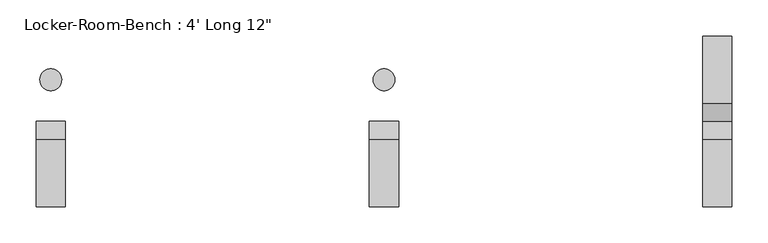
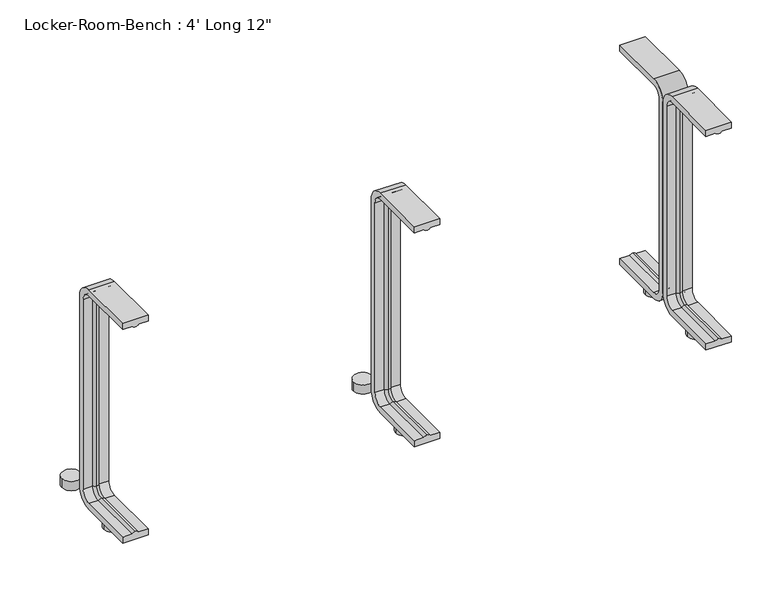
"""IFC4 building model written with IfcOpenShell, lengths in millimetres: proxy geometry."""

from ifc_helpers import new_model, si_unit, point, frame, frame_2d, origin, origin_with_axes, place, context, project, spatial, polyline, circle_curve, ellipse_curve, trimmed, segment, composite_curve, outline, extrude, source, transform, mapped, element, save
from ifc_brep_helpers import plane_surface, cylinder_surface, revolved_surface, advanced_brep


def proxy_73abb4a3(model_context):
    return source(origin(), model_context, "Body", "SolidModel", [
        extrude(outline(composite_curve([segment(trimmed(circle_curve(frame_2d((459.6, 57.5)), 15.0), [point((444.6, 57.5))], [point((474.6, 57.5))], False, "CARTESIAN"), True, "CONTINUOUS"), segment(trimmed(circle_curve(frame_2d((459.6, 57.5)), 15.0), [point((474.6, 57.5))], [point((444.6, 57.5))], False, "CARTESIAN"), True, "CONTINUOUS")], self_intersect=False)), origin_with_axes(), (0.0, 0.0, 1.0), 15.0),
        extrude(outline(composite_curve([segment(trimmed(circle_curve(frame_2d((459.6, -57.5)), 15.0), [point((444.6, -57.5))], [point((474.6, -57.5))], False, "CARTESIAN"), True, "CONTINUOUS"), segment(trimmed(circle_curve(frame_2d((459.6, -57.5)), 15.0), [point((474.6, -57.5))], [point((444.6, -57.5))], False, "CARTESIAN"), True, "CONTINUOUS")], self_intersect=False)), origin_with_axes(), (0.0, 0.0, 1.0), 15.0),
        extrude(outline(composite_curve([segment(trimmed(circle_curve(frame_2d((0.0, 57.5)), 15.0), [point((-15.0, 57.5))], [point((15.0, 57.5))], False, "CARTESIAN"), True, "CONTINUOUS"), segment(trimmed(circle_curve(frame_2d((0.0, 57.5)), 15.0), [point((15.0, 57.5))], [point((-15.0, 57.5))], False, "CARTESIAN"), True, "CONTINUOUS")], self_intersect=False)), origin_with_axes(), (0.0, 0.0, 1.0), 15.0),
        extrude(outline(composite_curve([segment(trimmed(circle_curve(frame_2d((0.0, -57.5)), 15.0), [point((-15.0, -57.5))], [point((15.0, -57.5))], False, "CARTESIAN"), True, "CONTINUOUS"), segment(trimmed(circle_curve(frame_2d((0.0, -57.5)), 15.0), [point((15.0, -57.5))], [point((-15.0, -57.5))], False, "CARTESIAN"), True, "CONTINUOUS")], self_intersect=False)), origin_with_axes(), (0.0, 0.0, 1.0), 15.0),
        extrude(outline(composite_curve([segment(trimmed(circle_curve(frame_2d((-459.6, 57.5)), 15.0), [point((-474.6, 57.5))], [point((-444.6, 57.5))], False, "CARTESIAN"), True, "CONTINUOUS"), segment(trimmed(circle_curve(frame_2d((-459.6, 57.5)), 15.0), [point((-444.6, 57.5))], [point((-474.6, 57.5))], False, "CARTESIAN"), True, "CONTINUOUS")], self_intersect=False)), origin_with_axes(), (0.0, 0.0, 1.0), 15.0),
        extrude(outline(composite_curve([segment(trimmed(circle_curve(frame_2d((-459.6, -57.5)), 15.0), [point((-474.6, -57.5))], [point((-444.6, -57.5))], False, "CARTESIAN"), True, "CONTINUOUS"), segment(trimmed(circle_curve(frame_2d((-459.6, -57.5)), 15.0), [point((-444.6, -57.5))], [point((-474.6, -57.5))], False, "CARTESIAN"), True, "CONTINUOUS")], self_intersect=False)), origin_with_axes(), (0.0, 0.0, 1.0), 15.0),
        advanced_brep(
        [(479.6, -117.4, 381.4), (439.6, -117.4, 381.4), (439.6, -117.4, 371.4), (454.6, -117.4, 371.4), (459.6, -117.4, 369.0684617), (464.6, -117.4, 371.4), (479.6, -117.4, 371.4), (479.6, -25.0, 371.4), (479.6, -10.0, 356.4), (479.6, -10.0, 40.0), (479.6, -25.0, 25.0), (479.6, -117.4, 25.0), (479.6, -117.4, 15.0), (479.6, -25.0, 15.0), (479.6, 0.0, 40.0), (479.6, 0.0, 356.4), (479.6, -25.0, 381.4), (464.6, -25.0, 371.4), (459.6, -25.0, 369.0684617), (454.6, -25.0, 371.4), (439.6, -25.0, 371.4), (439.6, -25.0, 381.4), (439.6, 0.0, 356.4), (439.6, 0.0, 40.0), (439.6, -25.0, 15.0), (439.6, -117.4, 15.0), (439.6, -117.4, 25.0), (439.6, -25.0, 25.0), (439.6, -10.0, 40.0), (439.6, -10.0, 356.4), (464.6, -10.0, 356.4), (459.6, -12.3315383, 356.4), (454.6, -10.0, 356.4), (464.6, -10.0, 40.0), (459.6, -12.3315383, 40.0), (454.6, -10.0, 40.0), (464.6, -25.0, 25.0), (459.6, -25.0, 27.3315383), (454.6, -25.0, 25.0), (464.6, -117.4, 25.0), (459.6, -117.4, 27.3315383), (454.6, -117.4, 25.0)],
        [
            (0, 1),
            (1, 2),
            (2, 3),
            (3, 4, circle_curve(frame((459.3003591, -117.4, 374.9529162), z_axis=(0.0, -1.0, 0.0), x_axis=(0.0, 0.0, -1.0)), 5.8920785)),
            (4, 5, circle_curve(frame((459.8996409, -117.4, 374.9529162), z_axis=(0.0, -1.0, 0.0), x_axis=(0.0, 0.0, -1.0)), 5.8920785)),
            (5, 6),
            (6, 0),
            (6, 7),
            (7, 8, circle_curve(frame((479.6, -25.0, 356.4), z_axis=(-1.0, 0.0, 0.0), x_axis=(0.0, 0.0, 1.0)), 15.0)),
            (8, 9),
            (9, 10, circle_curve(frame((479.6, -25.0, 40.0), z_axis=(-1.0, 0.0, 0.0), x_axis=(0.0, 1.0, 0.0)), 15.0)),
            (10, 11),
            (11, 12),
            (12, 13),
            (13, 14, circle_curve(frame((479.6, -25.0, 40.0), z_axis=(1.0, 0.0, 0.0), x_axis=(0.0, 1.0, 0.0)), 25.0)),
            (14, 15),
            (15, 16, circle_curve(frame((479.6, -25.0, 356.4), z_axis=(1.0, 0.0, 0.0), x_axis=(0.0, 0.0, 1.0)), 25.0)),
            (16, 0),
            (5, 17),
            (17, 7),
            (4, 18),
            (18, 17, circle_curve(frame((459.8996409, -25.0, 374.9529162), z_axis=(0.0, -1.0, 0.0), x_axis=(0.0, 0.0, -1.0)), 5.8920785)),
            (3, 19),
            (19, 18, circle_curve(frame((459.3003591, -25.0, 374.9529162), z_axis=(0.0, -1.0, 0.0), x_axis=(0.0, 0.0, -1.0)), 5.8920785)),
            (2, 20),
            (20, 19),
            (1, 21),
            (21, 22, circle_curve(frame((439.6, -25.0, 356.4), z_axis=(-1.0, 0.0, 0.0), x_axis=(0.0, 0.0, 1.0)), 25.0)),
            (22, 23),
            (23, 24, circle_curve(frame((439.6, -25.0, 40.0), z_axis=(-1.0, 0.0, 0.0), x_axis=(0.0, 1.0, 0.0)), 25.0)),
            (24, 25),
            (25, 26),
            (26, 27),
            (27, 28, circle_curve(frame((439.6, -25.0, 40.0), z_axis=(1.0, 0.0, 0.0), x_axis=(0.0, 1.0, 0.0)), 15.0)),
            (28, 29),
            (29, 20, circle_curve(frame((439.6, -25.0, 356.4), z_axis=(1.0, 0.0, 0.0), x_axis=(0.0, 0.0, 1.0)), 15.0)),
            (16, 21),
            (30, 8),
            (17, 30, circle_curve(frame((464.6, -25.0, 356.4), z_axis=(-1.0, 0.0, 0.0), x_axis=(0.0, 0.0, 1.0)), 15.0)),
            (31, 30, circle_curve(frame((459.8996409, -6.4470838, 356.4), z_axis=(0.0, 0.0, 1.0), x_axis=(0.0, -1.0, 0.0)), 5.8920785)),
            (18, 31, circle_curve(frame((459.6, -25.0, 356.4), z_axis=(-1.0, 0.0, 0.0), x_axis=(0.0, 0.0, 1.0)), 12.6684617)),
            (32, 31, circle_curve(frame((459.3003591, -6.4470838, 356.4), z_axis=(0.0, 0.0, 1.0), x_axis=(0.0, -1.0, 0.0)), 5.8920785)),
            (19, 32, circle_curve(frame((454.6, -25.0, 356.4), z_axis=(-1.0, 0.0, 0.0), x_axis=(0.0, 0.0, 1.0)), 15.0)),
            (29, 32),
            (15, 22),
            (30, 33),
            (33, 9),
            (31, 34),
            (34, 33, circle_curve(frame((459.8996409, -6.4470838, 40.0), z_axis=(0.0, 0.0, 1.0), x_axis=(0.0, -1.0, 0.0)), 5.8920785)),
            (32, 35),
            (35, 34, circle_curve(frame((459.3003591, -6.4470838, 40.0), z_axis=(0.0, 0.0, 1.0), x_axis=(0.0, -1.0, 0.0)), 5.8920785)),
            (28, 35),
            (14, 23),
            (36, 10),
            (33, 36, circle_curve(frame((464.6, -25.0, 40.0), z_axis=(-1.0, 0.0, 0.0), x_axis=(0.0, 1.0, 0.0)), 15.0)),
            (37, 36, circle_curve(frame((459.8996409, -25.0, 21.4470838), z_axis=(0.0, 1.0, 0.0), x_axis=(0.0, 0.0, 1.0)), 5.8920785)),
            (34, 37, circle_curve(frame((459.6, -25.0, 40.0), z_axis=(-1.0, 0.0, 0.0), x_axis=(0.0, 1.0, 0.0)), 12.6684617)),
            (38, 37, circle_curve(frame((459.3003591, -25.0, 21.4470838), z_axis=(0.0, 1.0, 0.0), x_axis=(0.0, 0.0, 1.0)), 5.8920785)),
            (35, 38, circle_curve(frame((454.6, -25.0, 40.0), z_axis=(-1.0, 0.0, 0.0), x_axis=(0.0, 1.0, 0.0)), 15.0)),
            (27, 38),
            (13, 24),
            (11, 39),
            (39, 40, circle_curve(frame((459.8996409, -117.4, 21.4470838), z_axis=(0.0, -1.0, 0.0), x_axis=(0.0, 0.0, 1.0)), 5.8920785)),
            (40, 41, circle_curve(frame((459.3003591, -117.4, 21.4470838), z_axis=(0.0, -1.0, 0.0), x_axis=(0.0, 0.0, 1.0)), 5.8920785)),
            (41, 26),
            (25, 12),
            (36, 39),
            (37, 40),
            (38, 41),
        ],
        [
            plane_surface(frame((459.6, -117.4, 381.4), z_axis=(0.0, -1.0, 0.0), x_axis=(1.0, 0.0, 0.0))),
            plane_surface(frame((479.6, -117.4, 381.4), z_axis=(1.0, 0.0, 0.0), x_axis=(0.0, 1.0, 0.0))),
            plane_surface(frame((479.6, -117.4, 371.4), z_axis=(0.0, 0.0, -1.0), x_axis=(0.0, 1.0, 0.0))),
            cylinder_surface(frame((459.8996409, -117.4, 374.9529162), z_axis=(0.0, -1.0, 0.0), x_axis=(0.0, 0.0, -1.0)), 5.8920785),
            cylinder_surface(frame((459.3003591, -117.4, 374.9529162), z_axis=(0.0, -1.0, 0.0), x_axis=(0.0, 0.0, -1.0)), 5.8920785),
            plane_surface(frame((454.6, -117.4, 371.4), z_axis=(0.0, 0.0, -1.0), x_axis=(0.0, 1.0, 0.0))),
            plane_surface(frame((439.6, -117.4, 371.4), z_axis=(-1.0, 0.0, 0.0), x_axis=(0.0, 1.0, 0.0))),
            plane_surface(frame((439.6, -117.4, 381.4), z_axis=(0.0, 0.0, 1.0), x_axis=(0.0, 1.0, 0.0))),
            revolved_surface(polyline([(479.6, -25.0, 371.4), (464.6, -25.0, 371.4)]), (459.6, -25.0, 356.4), (1.0, 0.0, 0.0)),
            revolved_surface(trimmed(ellipse_curve(frame((459.8996409, -25.0, 374.9529162), z_axis=(0.0, 1.0, 0.0), x_axis=(0.0, 0.0, -1.0)), 5.8920785, 5.8920785), [point((464.6, -25.0, 371.4))], [point((459.6, -25.0, 369.0684617))], True, "CARTESIAN"), (459.6, -25.0, 356.4), (1.0, 0.0, 0.0)),
            revolved_surface(trimmed(ellipse_curve(frame((459.3003591, -25.0, 374.9529162), z_axis=(0.0, 1.0, 0.0), x_axis=(0.0, 0.0, -1.0)), 5.8920785, 5.8920785), [point((459.6, -25.0, 369.0684617))], [point((454.6, -25.0, 371.4))], True, "CARTESIAN"), (459.6, -25.0, 356.4), (1.0, 0.0, 0.0)),
            revolved_surface(polyline([(454.6, -25.0, 371.4), (439.6, -25.0, 371.4)]), (459.6, -25.0, 356.4), (1.0, 0.0, 0.0)),
            cylinder_surface(frame((459.6, -25.0, 356.4), z_axis=(1.0, 0.0, 0.0), x_axis=(0.0, 0.0, 1.0)), 25.0),
            plane_surface(frame((479.6, -10.0, 356.4), z_axis=(0.0, -1.0, 0.0), x_axis=(0.0, 0.0, -1.0))),
            cylinder_surface(frame((459.8996409, -6.4470838, 356.4), z_axis=(0.0, 0.0, 1.0), x_axis=(0.0, -1.0, 0.0)), 5.8920785),
            cylinder_surface(frame((459.3003591, -6.4470838, 356.4), z_axis=(0.0, 0.0, 1.0), x_axis=(0.0, -1.0, 0.0)), 5.8920785),
            plane_surface(frame((454.6, -10.0, 356.4), z_axis=(0.0, -1.0, 0.0), x_axis=(0.0, 0.0, -1.0))),
            plane_surface(frame((439.6, 0.0, 356.4), z_axis=(0.0, 1.0, 0.0), x_axis=(0.0, 0.0, -1.0))),
            revolved_surface(polyline([(479.6, -10.0, 40.0), (464.6, -10.0, 40.0)]), (459.6, -25.0, 40.0), (1.0, 0.0, 0.0)),
            revolved_surface(trimmed(ellipse_curve(frame((459.8996409, -6.4470838, 40.0), z_axis=(0.0, 0.0, -1.0), x_axis=(0.0, -1.0, 0.0)), 5.8920785, 5.8920785), [point((464.6, -10.0, 40.0))], [point((459.6, -12.3315383, 40.0))], True, "CARTESIAN"), (459.6, -25.0, 40.0), (1.0, 0.0, 0.0)),
            revolved_surface(trimmed(ellipse_curve(frame((459.3003591, -6.4470838, 40.0), z_axis=(0.0, 0.0, -1.0), x_axis=(0.0, -1.0, 0.0)), 5.8920785, 5.8920785), [point((459.6, -12.3315383, 40.0))], [point((454.6, -10.0, 40.0))], True, "CARTESIAN"), (459.6, -25.0, 40.0), (1.0, 0.0, 0.0)),
            revolved_surface(polyline([(454.6, -10.0, 40.0), (439.6, -10.0, 40.0)]), (459.6, -25.0, 40.0), (1.0, 0.0, 0.0)),
            cylinder_surface(frame((459.6, -25.0, 40.0), z_axis=(1.0, 0.0, 0.0), x_axis=(0.0, 1.0, 0.0)), 25.0),
            plane_surface(frame((459.6, -117.4, 15.0), z_axis=(0.0, -1.0, 0.0), x_axis=(1.0, 0.0, 0.0))),
            plane_surface(frame((479.6, -25.0, 25.0), z_axis=(0.0, 0.0, 1.0), x_axis=(0.0, -1.0, 0.0))),
            cylinder_surface(frame((459.8996409, -25.0, 21.4470838), z_axis=(0.0, 1.0, 0.0), x_axis=(0.0, 0.0, 1.0)), 5.8920785),
            cylinder_surface(frame((459.3003591, -25.0, 21.4470838), z_axis=(0.0, 1.0, 0.0), x_axis=(0.0, 0.0, 1.0)), 5.8920785),
            plane_surface(frame((454.6, -25.0, 25.0), z_axis=(0.0, 0.0, 1.0), x_axis=(0.0, -1.0, 0.0))),
            plane_surface(frame((439.6, -25.0, 15.0), z_axis=(0.0, 0.0, -1.0), x_axis=(0.0, -1.0, 0.0))),
        ],
        [
            (0, [[1, 2, 3, 4, 5, 6, 7]]),
            (1, [[8, 9, 10, 11, 12, 13, 14, 15, 16, 17, 18, -7]]),
            (2, [[19, 20, -8, -6]]),
            (3, [[21, 22, -19, -5]]),
            (4, [[23, 24, -21, -4]]),
            (5, [[25, 26, -23, -3]]),
            (6, [[27, 28, 29, 30, 31, 32, 33, 34, 35, 36, -25, -2]]),
            (7, [[-18, 37, -27, -1]]),
            (8, [[38, -9, -20, 39]]),
            (9, [[40, -39, -22, 41]]),
            (10, [[42, -41, -24, 43]]),
            (11, [[44, -43, -26, -36]]),
            (12, [[45, -28, -37, -17]]),
            (13, [[46, 47, -10, -38]]),
            (14, [[48, 49, -46, -40]]),
            (15, [[50, 51, -48, -42]]),
            (16, [[-35, 52, -50, -44]]),
            (17, [[-16, 53, -29, -45]]),
            (18, [[54, -11, -47, 55]]),
            (19, [[56, -55, -49, 57]]),
            (20, [[58, -57, -51, 59]]),
            (21, [[60, -59, -52, -34]]),
            (22, [[61, -30, -53, -15]]),
            (23, [[-13, 62, 63, 64, 65, -32, 66]]),
            (24, [[67, -62, -12, -54]]),
            (25, [[68, -63, -67, -56]]),
            (26, [[69, -64, -68, -58]]),
            (27, [[-33, -65, -69, -60]]),
            (28, [[-14, -66, -31, -61]]),
        ],
    ),
        advanced_brep(
        [(20.0, -117.4, 381.4), (-20.0, -117.4, 381.4), (-20.0, -117.4, 371.4), (-5.0, -117.4, 371.4), (0.0, -117.4, 369.0684617), (5.0, -117.4, 371.4), (20.0, -117.4, 371.4), (20.0, -25.0, 371.4), (20.0, -10.0, 356.4), (20.0, -10.0, 40.0), (20.0, -25.0, 25.0), (20.0, -117.4, 25.0), (20.0, -117.4, 15.0), (20.0, -25.0, 15.0), (20.0, 0.0, 40.0), (20.0, 0.0, 356.4), (20.0, -25.0, 381.4), (5.0, -25.0, 371.4), (0.0, -25.0, 369.0684617), (-5.0, -25.0, 371.4), (-20.0, -25.0, 371.4), (-20.0, -25.0, 381.4), (-20.0, 0.0, 356.4), (-20.0, 0.0, 40.0), (-20.0, -25.0, 15.0), (-20.0, -117.4, 15.0), (-20.0, -117.4, 25.0), (-20.0, -25.0, 25.0), (-20.0, -10.0, 40.0), (-20.0, -10.0, 356.4), (5.0, -10.0, 356.4), (0.0, -12.3315383, 356.4), (-5.0, -10.0, 356.4), (5.0, -10.0, 40.0), (0.0, -12.3315383, 40.0), (-5.0, -10.0, 40.0), (5.0, -25.0, 25.0), (0.0, -25.0, 27.3315383), (-5.0, -25.0, 25.0), (5.0, -117.4, 25.0), (0.0, -117.4, 27.3315383), (-5.0, -117.4, 25.0)],
        [
            (0, 1),
            (1, 2),
            (2, 3),
            (3, 4, circle_curve(frame((-0.2996409, -117.4, 374.9529162), z_axis=(0.0, -1.0, 0.0), x_axis=(0.0, 0.0, -1.0)), 5.8920785)),
            (4, 5, circle_curve(frame((0.2996409, -117.4, 374.9529162), z_axis=(0.0, -1.0, 0.0), x_axis=(0.0, 0.0, -1.0)), 5.8920785)),
            (5, 6),
            (6, 0),
            (6, 7),
            (7, 8, circle_curve(frame((20.0, -25.0, 356.4), z_axis=(-1.0, 0.0, 0.0), x_axis=(0.0, 0.0, 1.0)), 15.0)),
            (8, 9),
            (9, 10, circle_curve(frame((20.0, -25.0, 40.0), z_axis=(-1.0, 0.0, 0.0), x_axis=(0.0, 1.0, 0.0)), 15.0)),
            (10, 11),
            (11, 12),
            (12, 13),
            (13, 14, circle_curve(frame((20.0, -25.0, 40.0), z_axis=(1.0, 0.0, 0.0), x_axis=(0.0, 1.0, 0.0)), 25.0)),
            (14, 15),
            (15, 16, circle_curve(frame((20.0, -25.0, 356.4), z_axis=(1.0, 0.0, 0.0), x_axis=(0.0, 0.0, 1.0)), 25.0)),
            (16, 0),
            (5, 17),
            (17, 7),
            (4, 18),
            (18, 17, circle_curve(frame((0.2996409, -25.0, 374.9529162), z_axis=(0.0, -1.0, 0.0), x_axis=(0.0, 0.0, -1.0)), 5.8920785)),
            (3, 19),
            (19, 18, circle_curve(frame((-0.2996409, -25.0, 374.9529162), z_axis=(0.0, -1.0, 0.0), x_axis=(0.0, 0.0, -1.0)), 5.8920785)),
            (2, 20),
            (20, 19),
            (1, 21),
            (21, 22, circle_curve(frame((-20.0, -25.0, 356.4), z_axis=(-1.0, 0.0, 0.0), x_axis=(0.0, 0.0, 1.0)), 25.0)),
            (22, 23),
            (23, 24, circle_curve(frame((-20.0, -25.0, 40.0), z_axis=(-1.0, 0.0, 0.0), x_axis=(0.0, 1.0, 0.0)), 25.0)),
            (24, 25),
            (25, 26),
            (26, 27),
            (27, 28, circle_curve(frame((-20.0, -25.0, 40.0), z_axis=(1.0, 0.0, 0.0), x_axis=(0.0, 1.0, 0.0)), 15.0)),
            (28, 29),
            (29, 20, circle_curve(frame((-20.0, -25.0, 356.4), z_axis=(1.0, 0.0, 0.0), x_axis=(0.0, 0.0, 1.0)), 15.0)),
            (16, 21),
            (30, 8),
            (17, 30, circle_curve(frame((5.0, -25.0, 356.4), z_axis=(-1.0, 0.0, 0.0), x_axis=(0.0, 0.0, 1.0)), 15.0)),
            (31, 30, circle_curve(frame((0.2996409, -6.4470838, 356.4), z_axis=(0.0, 0.0, 1.0), x_axis=(0.0, -1.0, 0.0)), 5.8920785)),
            (18, 31, circle_curve(frame((0.0, -25.0, 356.4), z_axis=(-1.0, 0.0, 0.0), x_axis=(0.0, 0.0, 1.0)), 12.6684617)),
            (32, 31, circle_curve(frame((-0.2996409, -6.4470838, 356.4), z_axis=(0.0, 0.0, 1.0), x_axis=(0.0, -1.0, 0.0)), 5.8920785)),
            (19, 32, circle_curve(frame((-5.0, -25.0, 356.4), z_axis=(-1.0, 0.0, 0.0), x_axis=(0.0, 0.0, 1.0)), 15.0)),
            (29, 32),
            (15, 22),
            (30, 33),
            (33, 9),
            (31, 34),
            (34, 33, circle_curve(frame((0.2996409, -6.4470838, 40.0), z_axis=(0.0, 0.0, 1.0), x_axis=(0.0, -1.0, 0.0)), 5.8920785)),
            (32, 35),
            (35, 34, circle_curve(frame((-0.2996409, -6.4470838, 40.0), z_axis=(0.0, 0.0, 1.0), x_axis=(0.0, -1.0, 0.0)), 5.8920785)),
            (28, 35),
            (14, 23),
            (36, 10),
            (33, 36, circle_curve(frame((5.0, -25.0, 40.0), z_axis=(-1.0, 0.0, 0.0), x_axis=(0.0, 1.0, 0.0)), 15.0)),
            (37, 36, circle_curve(frame((0.2996409, -25.0, 21.4470838), z_axis=(0.0, 1.0, 0.0), x_axis=(0.0, 0.0, 1.0)), 5.8920785)),
            (34, 37, circle_curve(frame((0.0, -25.0, 40.0), z_axis=(-1.0, 0.0, 0.0), x_axis=(0.0, 1.0, 0.0)), 12.6684617)),
            (38, 37, circle_curve(frame((-0.2996409, -25.0, 21.4470838), z_axis=(0.0, 1.0, 0.0), x_axis=(0.0, 0.0, 1.0)), 5.8920785)),
            (35, 38, circle_curve(frame((-5.0, -25.0, 40.0), z_axis=(-1.0, 0.0, 0.0), x_axis=(0.0, 1.0, 0.0)), 15.0)),
            (27, 38),
            (13, 24),
            (11, 39),
            (39, 40, circle_curve(frame((0.2996409, -117.4, 21.4470838), z_axis=(0.0, -1.0, 0.0), x_axis=(0.0, 0.0, 1.0)), 5.8920785)),
            (40, 41, circle_curve(frame((-0.2996409, -117.4, 21.4470838), z_axis=(0.0, -1.0, 0.0), x_axis=(0.0, 0.0, 1.0)), 5.8920785)),
            (41, 26),
            (25, 12),
            (36, 39),
            (37, 40),
            (38, 41),
        ],
        [
            plane_surface(frame((0.0, -117.4, 381.4), z_axis=(0.0, -1.0, 0.0), x_axis=(1.0, 0.0, 0.0))),
            plane_surface(frame((20.0, -117.4, 381.4), z_axis=(1.0, 0.0, 0.0), x_axis=(0.0, 1.0, 0.0))),
            plane_surface(frame((20.0, -117.4, 371.4), z_axis=(0.0, 0.0, -1.0), x_axis=(0.0, 1.0, 0.0))),
            cylinder_surface(frame((0.2996409, -117.4, 374.9529162), z_axis=(0.0, -1.0, 0.0), x_axis=(0.0, 0.0, -1.0)), 5.8920785),
            cylinder_surface(frame((-0.2996409, -117.4, 374.9529162), z_axis=(0.0, -1.0, 0.0), x_axis=(0.0, 0.0, -1.0)), 5.8920785),
            plane_surface(frame((-5.0, -117.4, 371.4), z_axis=(0.0, 0.0, -1.0), x_axis=(0.0, 1.0, 0.0))),
            plane_surface(frame((-20.0, -117.4, 371.4), z_axis=(-1.0, 0.0, 0.0), x_axis=(0.0, 1.0, 0.0))),
            plane_surface(frame((-20.0, -117.4, 381.4), z_axis=(0.0, 0.0, 1.0), x_axis=(0.0, 1.0, 0.0))),
            revolved_surface(polyline([(20.0, -25.0, 371.4), (5.0, -25.0, 371.4)]), (0.0, -25.0, 356.4), (1.0, 0.0, 0.0)),
            revolved_surface(trimmed(ellipse_curve(frame((0.2996409, -25.0, 374.9529162), z_axis=(0.0, 1.0, 0.0), x_axis=(0.0, 0.0, -1.0)), 5.8920785, 5.8920785), [point((5.0, -25.0, 371.4))], [point((0.0, -25.0, 369.0684617))], True, "CARTESIAN"), (0.0, -25.0, 356.4), (1.0, 0.0, 0.0)),
            revolved_surface(trimmed(ellipse_curve(frame((-0.2996409, -25.0, 374.9529162), z_axis=(0.0, 1.0, 0.0), x_axis=(0.0, 0.0, -1.0)), 5.8920785, 5.8920785), [point((0.0, -25.0, 369.0684617))], [point((-5.0, -25.0, 371.4))], True, "CARTESIAN"), (0.0, -25.0, 356.4), (1.0, 0.0, 0.0)),
            revolved_surface(polyline([(-5.0, -25.0, 371.4), (-20.0, -25.0, 371.4)]), (0.0, -25.0, 356.4), (1.0, 0.0, 0.0)),
            cylinder_surface(frame((0.0, -25.0, 356.4), z_axis=(1.0, 0.0, 0.0), x_axis=(0.0, 0.0, 1.0)), 25.0),
            plane_surface(frame((20.0, -10.0, 356.4), z_axis=(0.0, -1.0, 0.0), x_axis=(0.0, 0.0, -1.0))),
            cylinder_surface(frame((0.2996409, -6.4470838, 356.4), z_axis=(0.0, 0.0, 1.0), x_axis=(0.0, -1.0, 0.0)), 5.8920785),
            cylinder_surface(frame((-0.2996409, -6.4470838, 356.4), z_axis=(0.0, 0.0, 1.0), x_axis=(0.0, -1.0, 0.0)), 5.8920785),
            plane_surface(frame((-5.0, -10.0, 356.4), z_axis=(0.0, -1.0, 0.0), x_axis=(0.0, 0.0, -1.0))),
            plane_surface(frame((-20.0, 0.0, 356.4), z_axis=(0.0, 1.0, 0.0), x_axis=(0.0, 0.0, -1.0))),
            revolved_surface(polyline([(20.0, -10.0, 40.0), (5.0, -10.0, 40.0)]), (0.0, -25.0, 40.0), (1.0, 0.0, 0.0)),
            revolved_surface(trimmed(ellipse_curve(frame((0.2996409, -6.4470838, 40.0), z_axis=(0.0, 0.0, -1.0), x_axis=(0.0, -1.0, 0.0)), 5.8920785, 5.8920785), [point((5.0, -10.0, 40.0))], [point((0.0, -12.3315383, 40.0))], True, "CARTESIAN"), (0.0, -25.0, 40.0), (1.0, 0.0, 0.0)),
            revolved_surface(trimmed(ellipse_curve(frame((-0.2996409, -6.4470838, 40.0), z_axis=(0.0, 0.0, -1.0), x_axis=(0.0, -1.0, 0.0)), 5.8920785, 5.8920785), [point((0.0, -12.3315383, 40.0))], [point((-5.0, -10.0, 40.0))], True, "CARTESIAN"), (0.0, -25.0, 40.0), (1.0, 0.0, 0.0)),
            revolved_surface(polyline([(-5.0, -10.0, 40.0), (-20.0, -10.0, 40.0)]), (0.0, -25.0, 40.0), (1.0, 0.0, 0.0)),
            cylinder_surface(frame((0.0, -25.0, 40.0), z_axis=(1.0, 0.0, 0.0), x_axis=(0.0, 1.0, 0.0)), 25.0),
            plane_surface(frame((0.0, -117.4, 15.0), z_axis=(0.0, -1.0, 0.0), x_axis=(1.0, 0.0, 0.0))),
            plane_surface(frame((20.0, -25.0, 25.0), z_axis=(0.0, 0.0, 1.0), x_axis=(0.0, -1.0, 0.0))),
            cylinder_surface(frame((0.2996409, -25.0, 21.4470838), z_axis=(0.0, 1.0, 0.0), x_axis=(0.0, 0.0, 1.0)), 5.8920785),
            cylinder_surface(frame((-0.2996409, -25.0, 21.4470838), z_axis=(0.0, 1.0, 0.0), x_axis=(0.0, 0.0, 1.0)), 5.8920785),
            plane_surface(frame((-5.0, -25.0, 25.0), z_axis=(0.0, 0.0, 1.0), x_axis=(0.0, -1.0, 0.0))),
            plane_surface(frame((-20.0, -25.0, 15.0), z_axis=(0.0, 0.0, -1.0), x_axis=(0.0, -1.0, 0.0))),
        ],
        [
            (0, [[1, 2, 3, 4, 5, 6, 7]]),
            (1, [[8, 9, 10, 11, 12, 13, 14, 15, 16, 17, 18, -7]]),
            (2, [[19, 20, -8, -6]]),
            (3, [[21, 22, -19, -5]]),
            (4, [[23, 24, -21, -4]]),
            (5, [[25, 26, -23, -3]]),
            (6, [[27, 28, 29, 30, 31, 32, 33, 34, 35, 36, -25, -2]]),
            (7, [[-18, 37, -27, -1]]),
            (8, [[38, -9, -20, 39]]),
            (9, [[40, -39, -22, 41]]),
            (10, [[42, -41, -24, 43]]),
            (11, [[44, -43, -26, -36]]),
            (12, [[45, -28, -37, -17]]),
            (13, [[46, 47, -10, -38]]),
            (14, [[48, 49, -46, -40]]),
            (15, [[50, 51, -48, -42]]),
            (16, [[-35, 52, -50, -44]]),
            (17, [[-16, 53, -29, -45]]),
            (18, [[54, -11, -47, 55]]),
            (19, [[56, -55, -49, 57]]),
            (20, [[58, -57, -51, 59]]),
            (21, [[60, -59, -52, -34]]),
            (22, [[61, -30, -53, -15]]),
            (23, [[-13, 62, 63, 64, 65, -32, 66]]),
            (24, [[67, -62, -12, -54]]),
            (25, [[68, -63, -67, -56]]),
            (26, [[69, -64, -68, -58]]),
            (27, [[-33, -65, -69, -60]]),
            (28, [[-14, -66, -31, -61]]),
        ],
    ),
        advanced_brep(
        [(-439.6, -117.4, 381.4), (-479.6, -117.4, 381.4), (-479.6, -117.4, 371.4), (-464.6, -117.4, 371.4), (-459.6, -117.4, 369.0684617), (-454.6, -117.4, 371.4), (-439.6, -117.4, 371.4), (-439.6, -25.0, 371.4), (-439.6, -10.0, 356.4), (-439.6, -10.0, 40.0), (-439.6, -25.0, 25.0), (-439.6, -117.4, 25.0), (-439.6, -117.4, 15.0), (-439.6, -25.0, 15.0), (-439.6, 0.0, 40.0), (-439.6, 0.0, 356.4), (-439.6, -25.0, 381.4), (-454.6, -25.0, 371.4), (-459.6, -25.0, 369.0684617), (-464.6, -25.0, 371.4), (-479.6, -25.0, 371.4), (-479.6, -25.0, 381.4), (-479.6, 0.0, 356.4), (-479.6, 0.0, 40.0), (-479.6, -25.0, 15.0), (-479.6, -117.4, 15.0), (-479.6, -117.4, 25.0), (-479.6, -25.0, 25.0), (-479.6, -10.0, 40.0), (-479.6, -10.0, 356.4), (-454.6, -10.0, 356.4), (-459.6, -12.3315383, 356.4), (-464.6, -10.0, 356.4), (-454.6, -10.0, 40.0), (-459.6, -12.3315383, 40.0), (-464.6, -10.0, 40.0), (-454.6, -25.0, 25.0), (-459.6, -25.0, 27.3315383), (-464.6, -25.0, 25.0), (-454.6, -117.4, 25.0), (-459.6, -117.4, 27.3315383), (-464.6, -117.4, 25.0)],
        [
            (0, 1),
            (1, 2),
            (2, 3),
            (3, 4, circle_curve(frame((-459.8996409, -117.4, 374.9529162), z_axis=(0.0, -1.0, 0.0), x_axis=(0.0, 0.0, -1.0)), 5.8920785)),
            (4, 5, circle_curve(frame((-459.3003591, -117.4, 374.9529162), z_axis=(0.0, -1.0, 0.0), x_axis=(0.0, 0.0, -1.0)), 5.8920785)),
            (5, 6),
            (6, 0),
            (6, 7),
            (7, 8, circle_curve(frame((-439.6, -25.0, 356.4), z_axis=(-1.0, 0.0, 0.0), x_axis=(0.0, 0.0, 1.0)), 15.0)),
            (8, 9),
            (9, 10, circle_curve(frame((-439.6, -25.0, 40.0), z_axis=(-1.0, 0.0, 0.0), x_axis=(0.0, 1.0, 0.0)), 15.0)),
            (10, 11),
            (11, 12),
            (12, 13),
            (13, 14, circle_curve(frame((-439.6, -25.0, 40.0), z_axis=(1.0, 0.0, 0.0), x_axis=(0.0, 1.0, 0.0)), 25.0)),
            (14, 15),
            (15, 16, circle_curve(frame((-439.6, -25.0, 356.4), z_axis=(1.0, 0.0, 0.0), x_axis=(0.0, 0.0, 1.0)), 25.0)),
            (16, 0),
            (5, 17),
            (17, 7),
            (4, 18),
            (18, 17, circle_curve(frame((-459.3003591, -25.0, 374.9529162), z_axis=(0.0, -1.0, 0.0), x_axis=(0.0, 0.0, -1.0)), 5.8920785)),
            (3, 19),
            (19, 18, circle_curve(frame((-459.8996409, -25.0, 374.9529162), z_axis=(0.0, -1.0, 0.0), x_axis=(0.0, 0.0, -1.0)), 5.8920785)),
            (2, 20),
            (20, 19),
            (1, 21),
            (21, 22, circle_curve(frame((-479.6, -25.0, 356.4), z_axis=(-1.0, 0.0, 0.0), x_axis=(0.0, 0.0, 1.0)), 25.0)),
            (22, 23),
            (23, 24, circle_curve(frame((-479.6, -25.0, 40.0), z_axis=(-1.0, 0.0, 0.0), x_axis=(0.0, 1.0, 0.0)), 25.0)),
            (24, 25),
            (25, 26),
            (26, 27),
            (27, 28, circle_curve(frame((-479.6, -25.0, 40.0), z_axis=(1.0, 0.0, 0.0), x_axis=(0.0, 1.0, 0.0)), 15.0)),
            (28, 29),
            (29, 20, circle_curve(frame((-479.6, -25.0, 356.4), z_axis=(1.0, 0.0, 0.0), x_axis=(0.0, 0.0, 1.0)), 15.0)),
            (16, 21),
            (30, 8),
            (17, 30, circle_curve(frame((-454.6, -25.0, 356.4), z_axis=(-1.0, 0.0, 0.0), x_axis=(0.0, 0.0, 1.0)), 15.0)),
            (31, 30, circle_curve(frame((-459.3003591, -6.4470838, 356.4), z_axis=(0.0, 0.0, 1.0), x_axis=(0.0, -1.0, 0.0)), 5.8920785)),
            (18, 31, circle_curve(frame((-459.6, -25.0, 356.4), z_axis=(-1.0, 0.0, 0.0), x_axis=(0.0, 0.0, 1.0)), 12.6684617)),
            (32, 31, circle_curve(frame((-459.8996409, -6.4470838, 356.4), z_axis=(0.0, 0.0, 1.0), x_axis=(0.0, -1.0, 0.0)), 5.8920785)),
            (19, 32, circle_curve(frame((-464.6, -25.0, 356.4), z_axis=(-1.0, 0.0, 0.0), x_axis=(0.0, 0.0, 1.0)), 15.0)),
            (29, 32),
            (15, 22),
            (30, 33),
            (33, 9),
            (31, 34),
            (34, 33, circle_curve(frame((-459.3003591, -6.4470838, 40.0), z_axis=(0.0, 0.0, 1.0), x_axis=(0.0, -1.0, 0.0)), 5.8920785)),
            (32, 35),
            (35, 34, circle_curve(frame((-459.8996409, -6.4470838, 40.0), z_axis=(0.0, 0.0, 1.0), x_axis=(0.0, -1.0, 0.0)), 5.8920785)),
            (28, 35),
            (14, 23),
            (36, 10),
            (33, 36, circle_curve(frame((-454.6, -25.0, 40.0), z_axis=(-1.0, 0.0, 0.0), x_axis=(0.0, 1.0, 0.0)), 15.0)),
            (37, 36, circle_curve(frame((-459.3003591, -25.0, 21.4470838), z_axis=(0.0, 1.0, 0.0), x_axis=(0.0, 0.0, 1.0)), 5.8920785)),
            (34, 37, circle_curve(frame((-459.6, -25.0, 40.0), z_axis=(-1.0, 0.0, 0.0), x_axis=(0.0, 1.0, 0.0)), 12.6684617)),
            (38, 37, circle_curve(frame((-459.8996409, -25.0, 21.4470838), z_axis=(0.0, 1.0, 0.0), x_axis=(0.0, 0.0, 1.0)), 5.8920785)),
            (35, 38, circle_curve(frame((-464.6, -25.0, 40.0), z_axis=(-1.0, 0.0, 0.0), x_axis=(0.0, 1.0, 0.0)), 15.0)),
            (27, 38),
            (13, 24),
            (11, 39),
            (39, 40, circle_curve(frame((-459.3003591, -117.4, 21.4470838), z_axis=(0.0, -1.0, 0.0), x_axis=(0.0, 0.0, 1.0)), 5.8920785)),
            (40, 41, circle_curve(frame((-459.8996409, -117.4, 21.4470838), z_axis=(0.0, -1.0, 0.0), x_axis=(0.0, 0.0, 1.0)), 5.8920785)),
            (41, 26),
            (25, 12),
            (36, 39),
            (37, 40),
            (38, 41),
        ],
        [
            plane_surface(frame((-459.6, -117.4, 381.4), z_axis=(0.0, -1.0, 0.0), x_axis=(1.0, 0.0, 0.0))),
            plane_surface(frame((-439.6, -117.4, 381.4), z_axis=(1.0, 0.0, 0.0), x_axis=(0.0, 1.0, 0.0))),
            plane_surface(frame((-439.6, -117.4, 371.4), z_axis=(0.0, 0.0, -1.0), x_axis=(0.0, 1.0, 0.0))),
            cylinder_surface(frame((-459.3003591, -117.4, 374.9529162), z_axis=(0.0, -1.0, 0.0), x_axis=(0.0, 0.0, -1.0)), 5.8920785),
            cylinder_surface(frame((-459.8996409, -117.4, 374.9529162), z_axis=(0.0, -1.0, 0.0), x_axis=(0.0, 0.0, -1.0)), 5.8920785),
            plane_surface(frame((-464.6, -117.4, 371.4), z_axis=(0.0, 0.0, -1.0), x_axis=(0.0, 1.0, 0.0))),
            plane_surface(frame((-479.6, -117.4, 371.4), z_axis=(-1.0, 0.0, 0.0), x_axis=(0.0, 1.0, 0.0))),
            plane_surface(frame((-479.6, -117.4, 381.4), z_axis=(0.0, 0.0, 1.0), x_axis=(0.0, 1.0, 0.0))),
            revolved_surface(polyline([(-439.6, -25.0, 371.4), (-454.6, -25.0, 371.4)]), (-459.6, -25.0, 356.4), (1.0, 0.0, 0.0)),
            revolved_surface(trimmed(ellipse_curve(frame((-459.3003591, -25.0, 374.9529162), z_axis=(0.0, 1.0, 0.0), x_axis=(0.0, 0.0, -1.0)), 5.8920785, 5.8920785), [point((-454.6, -25.0, 371.4))], [point((-459.6, -25.0, 369.0684617))], True, "CARTESIAN"), (-459.6, -25.0, 356.4), (1.0, 0.0, 0.0)),
            revolved_surface(trimmed(ellipse_curve(frame((-459.8996409, -25.0, 374.9529162), z_axis=(0.0, 1.0, 0.0), x_axis=(0.0, 0.0, -1.0)), 5.8920785, 5.8920785), [point((-459.6, -25.0, 369.0684617))], [point((-464.6, -25.0, 371.4))], True, "CARTESIAN"), (-459.6, -25.0, 356.4), (1.0, 0.0, 0.0)),
            revolved_surface(polyline([(-464.6, -25.0, 371.4), (-479.6, -25.0, 371.4)]), (-459.6, -25.0, 356.4), (1.0, 0.0, 0.0)),
            cylinder_surface(frame((-459.6, -25.0, 356.4), z_axis=(1.0, 0.0, 0.0), x_axis=(0.0, 0.0, 1.0)), 25.0),
            plane_surface(frame((-439.6, -10.0, 356.4), z_axis=(0.0, -1.0, 0.0), x_axis=(0.0, 0.0, -1.0))),
            cylinder_surface(frame((-459.3003591, -6.4470838, 356.4), z_axis=(0.0, 0.0, 1.0), x_axis=(0.0, -1.0, 0.0)), 5.8920785),
            cylinder_surface(frame((-459.8996409, -6.4470838, 356.4), z_axis=(0.0, 0.0, 1.0), x_axis=(0.0, -1.0, 0.0)), 5.8920785),
            plane_surface(frame((-464.6, -10.0, 356.4), z_axis=(0.0, -1.0, 0.0), x_axis=(0.0, 0.0, -1.0))),
            plane_surface(frame((-479.6, 0.0, 356.4), z_axis=(0.0, 1.0, 0.0), x_axis=(0.0, 0.0, -1.0))),
            revolved_surface(polyline([(-439.6, -10.0, 40.0), (-454.6, -10.0, 40.0)]), (-459.6, -25.0, 40.0), (1.0, 0.0, 0.0)),
            revolved_surface(trimmed(ellipse_curve(frame((-459.3003591, -6.4470838, 40.0), z_axis=(0.0, 0.0, -1.0), x_axis=(0.0, -1.0, 0.0)), 5.8920785, 5.8920785), [point((-454.6, -10.0, 40.0))], [point((-459.6, -12.3315383, 40.0))], True, "CARTESIAN"), (-459.6, -25.0, 40.0), (1.0, 0.0, 0.0)),
            revolved_surface(trimmed(ellipse_curve(frame((-459.8996409, -6.4470838, 40.0), z_axis=(0.0, 0.0, -1.0), x_axis=(0.0, -1.0, 0.0)), 5.8920785, 5.8920785), [point((-459.6, -12.3315383, 40.0))], [point((-464.6, -10.0, 40.0))], True, "CARTESIAN"), (-459.6, -25.0, 40.0), (1.0, 0.0, 0.0)),
            revolved_surface(polyline([(-464.6, -10.0, 40.0), (-479.6, -10.0, 40.0)]), (-459.6, -25.0, 40.0), (1.0, 0.0, 0.0)),
            cylinder_surface(frame((-459.6, -25.0, 40.0), z_axis=(1.0, 0.0, 0.0), x_axis=(0.0, 1.0, 0.0)), 25.0),
            plane_surface(frame((-459.6, -117.4, 15.0), z_axis=(0.0, -1.0, 0.0), x_axis=(1.0, 0.0, 0.0))),
            plane_surface(frame((-439.6, -25.0, 25.0), z_axis=(0.0, 0.0, 1.0), x_axis=(0.0, -1.0, 0.0))),
            cylinder_surface(frame((-459.3003591, -25.0, 21.4470838), z_axis=(0.0, 1.0, 0.0), x_axis=(0.0, 0.0, 1.0)), 5.8920785),
            cylinder_surface(frame((-459.8996409, -25.0, 21.4470838), z_axis=(0.0, 1.0, 0.0), x_axis=(0.0, 0.0, 1.0)), 5.8920785),
            plane_surface(frame((-464.6, -25.0, 25.0), z_axis=(0.0, 0.0, 1.0), x_axis=(0.0, -1.0, 0.0))),
            plane_surface(frame((-479.6, -25.0, 15.0), z_axis=(0.0, 0.0, -1.0), x_axis=(0.0, -1.0, 0.0))),
        ],
        [
            (0, [[1, 2, 3, 4, 5, 6, 7]]),
            (1, [[8, 9, 10, 11, 12, 13, 14, 15, 16, 17, 18, -7]]),
            (2, [[19, 20, -8, -6]]),
            (3, [[21, 22, -19, -5]]),
            (4, [[23, 24, -21, -4]]),
            (5, [[25, 26, -23, -3]]),
            (6, [[27, 28, 29, 30, 31, 32, 33, 34, 35, 36, -25, -2]]),
            (7, [[-18, 37, -27, -1]]),
            (8, [[38, -9, -20, 39]]),
            (9, [[40, -39, -22, 41]]),
            (10, [[42, -41, -24, 43]]),
            (11, [[44, -43, -26, -36]]),
            (12, [[45, -28, -37, -17]]),
            (13, [[46, 47, -10, -38]]),
            (14, [[48, 49, -46, -40]]),
            (15, [[50, 51, -48, -42]]),
            (16, [[-35, 52, -50, -44]]),
            (17, [[-16, 53, -29, -45]]),
            (18, [[54, -11, -47, 55]]),
            (19, [[56, -55, -49, 57]]),
            (20, [[58, -57, -51, 59]]),
            (21, [[60, -59, -52, -34]]),
            (22, [[61, -30, -53, -15]]),
            (23, [[-13, 62, 63, 64, 65, -32, 66]]),
            (24, [[67, -62, -12, -54]]),
            (25, [[68, -63, -67, -56]]),
            (26, [[69, -64, -68, -58]]),
            (27, [[-33, -65, -69, -60]]),
            (28, [[-14, -66, -31, -61]]),
        ],
    ),
        advanced_brep(
        [(479.6, 117.4, 381.4), (479.6, 117.4, 371.4), (464.6, 117.4, 371.4), (459.6, 117.4, 369.0684617), (454.6, 117.4, 371.4), (439.6, 117.4, 371.4), (439.6, 117.4, 381.4), (439.6, 25.0, 381.4), (479.6, 25.0, 381.4), (439.6, 25.0, 371.4), (439.6, 10.0, 356.4), (439.6, 10.0, 40.0), (439.6, 25.0, 25.0), (439.6, 117.4, 25.0), (439.6, 117.4, 15.0), (439.6, 25.0, 15.0), (439.6, 0.0, 40.0), (439.6, 0.0, 356.4), (454.6, 25.0, 371.4), (459.6, 25.0, 369.0684617), (464.6, 25.0, 371.4), (479.6, 25.0, 371.4), (479.6, 0.0, 356.4), (479.6, 0.0, 40.0), (479.6, 25.0, 15.0), (479.6, 117.4, 15.0), (479.6, 117.4, 25.0), (479.6, 25.0, 25.0), (479.6, 10.0, 40.0), (479.6, 10.0, 356.4), (454.6, 10.0, 356.4), (459.6, 12.3315383, 356.4), (464.6, 10.0, 356.4), (454.6, 10.0, 40.0), (459.6, 12.3315383, 40.0), (464.6, 10.0, 40.0), (454.6, 25.0, 25.0), (459.6, 25.0, 27.3315383), (464.6, 25.0, 25.0), (454.6, 117.4, 25.0), (459.6, 117.4, 27.3315383), (464.6, 117.4, 25.0)],
        [
            (0, 1),
            (1, 2),
            (2, 3, circle_curve(frame((459.8996409, 117.4, 374.9529162), z_axis=(0.0, 1.0, 0.0), x_axis=(0.0, 0.0, 1.0)), 5.8920785)),
            (3, 4, circle_curve(frame((459.3003591, 117.4, 374.9529162), z_axis=(0.0, 1.0, 0.0), x_axis=(0.0, 0.0, 1.0)), 5.8920785)),
            (4, 5),
            (5, 6),
            (6, 0),
            (6, 7),
            (7, 8),
            (8, 0),
            (5, 9),
            (9, 10, circle_curve(frame((439.6, 25.0, 356.4), z_axis=(1.0, 0.0, 0.0), x_axis=(0.0, 0.0, 1.0)), 15.0)),
            (10, 11),
            (11, 12, circle_curve(frame((439.6, 25.0, 40.0), z_axis=(1.0, 0.0, 0.0), x_axis=(0.0, -1.0, 0.0)), 15.0)),
            (12, 13),
            (13, 14),
            (14, 15),
            (15, 16, circle_curve(frame((439.6, 25.0, 40.0), z_axis=(-1.0, 0.0, 0.0), x_axis=(0.0, -1.0, 0.0)), 25.0)),
            (16, 17),
            (17, 7, circle_curve(frame((439.6, 25.0, 356.4), z_axis=(-1.0, 0.0, 0.0), x_axis=(0.0, 0.0, 1.0)), 25.0)),
            (4, 18),
            (18, 9),
            (3, 19),
            (19, 18, circle_curve(frame((459.3003591, 25.0, 374.9529162), z_axis=(0.0, 1.0, 0.0), x_axis=(0.0, 0.0, 1.0)), 5.8920785)),
            (2, 20),
            (20, 19, circle_curve(frame((459.8996409, 25.0, 374.9529162), z_axis=(0.0, 1.0, 0.0), x_axis=(0.0, 0.0, 1.0)), 5.8920785)),
            (1, 21),
            (21, 20),
            (8, 22, circle_curve(frame((479.6, 25.0, 356.4), z_axis=(1.0, 0.0, 0.0), x_axis=(0.0, 0.0, 1.0)), 25.0)),
            (22, 23),
            (23, 24, circle_curve(frame((479.6, 25.0, 40.0), z_axis=(1.0, 0.0, 0.0), x_axis=(0.0, -1.0, 0.0)), 25.0)),
            (24, 25),
            (25, 26),
            (26, 27),
            (27, 28, circle_curve(frame((479.6, 25.0, 40.0), z_axis=(-1.0, 0.0, 0.0), x_axis=(0.0, -1.0, 0.0)), 15.0)),
            (28, 29),
            (29, 21, circle_curve(frame((479.6, 25.0, 356.4), z_axis=(-1.0, 0.0, 0.0), x_axis=(0.0, 0.0, 1.0)), 15.0)),
            (17, 22),
            (30, 10),
            (18, 30, circle_curve(frame((454.6, 25.0, 356.4), z_axis=(1.0, 0.0, 0.0), x_axis=(0.0, 0.0, 1.0)), 15.0)),
            (31, 30, circle_curve(frame((459.3003591, 6.4470838, 356.4), z_axis=(0.0, 0.0, 1.0), x_axis=(0.0, -1.0, 0.0)), 5.8920785)),
            (19, 31, circle_curve(frame((459.6, 25.0, 356.4), z_axis=(1.0, 0.0, 0.0), x_axis=(0.0, 0.0, 1.0)), 12.6684617)),
            (32, 31, circle_curve(frame((459.8996409, 6.4470838, 356.4), z_axis=(0.0, 0.0, 1.0), x_axis=(0.0, -1.0, 0.0)), 5.8920785)),
            (20, 32, circle_curve(frame((464.6, 25.0, 356.4), z_axis=(1.0, 0.0, 0.0), x_axis=(0.0, 0.0, 1.0)), 15.0)),
            (29, 32),
            (16, 23),
            (30, 33),
            (33, 11),
            (31, 34),
            (34, 33, circle_curve(frame((459.3003591, 6.4470838, 40.0), z_axis=(0.0, 0.0, 1.0), x_axis=(0.0, -1.0, 0.0)), 5.8920785)),
            (32, 35),
            (35, 34, circle_curve(frame((459.8996409, 6.4470838, 40.0), z_axis=(0.0, 0.0, 1.0), x_axis=(0.0, -1.0, 0.0)), 5.8920785)),
            (28, 35),
            (15, 24),
            (36, 12),
            (33, 36, circle_curve(frame((454.6, 25.0, 40.0), z_axis=(1.0, 0.0, 0.0), x_axis=(0.0, -1.0, 0.0)), 15.0)),
            (37, 36, circle_curve(frame((459.3003591, 25.0, 21.4470838), z_axis=(0.0, -1.0, 0.0), x_axis=(0.0, 0.0, -1.0)), 5.8920785)),
            (34, 37, circle_curve(frame((459.6, 25.0, 40.0), z_axis=(1.0, 0.0, 0.0), x_axis=(0.0, -1.0, 0.0)), 12.6684617)),
            (38, 37, circle_curve(frame((459.8996409, 25.0, 21.4470838), z_axis=(0.0, -1.0, 0.0), x_axis=(0.0, 0.0, -1.0)), 5.8920785)),
            (35, 38, circle_curve(frame((464.6, 25.0, 40.0), z_axis=(1.0, 0.0, 0.0), x_axis=(0.0, -1.0, 0.0)), 15.0)),
            (27, 38),
            (25, 14),
            (13, 39),
            (39, 40, circle_curve(frame((459.3003591, 117.4, 21.4470838), z_axis=(0.0, 1.0, 0.0), x_axis=(0.0, 0.0, -1.0)), 5.8920785)),
            (40, 41, circle_curve(frame((459.8996409, 117.4, 21.4470838), z_axis=(0.0, 1.0, 0.0), x_axis=(0.0, 0.0, -1.0)), 5.8920785)),
            (41, 26),
            (36, 39),
            (37, 40),
            (38, 41),
        ],
        [
            plane_surface(frame((459.6, 117.4, 381.4), z_axis=(0.0, 1.0, 0.0), x_axis=(1.0, 0.0, 0.0))),
            plane_surface(frame((479.6, 117.4, 381.4), z_axis=(0.0, 0.0, 1.0), x_axis=(0.0, -1.0, 0.0))),
            plane_surface(frame((439.6, 117.4, 381.4), z_axis=(-1.0, 0.0, 0.0), x_axis=(0.0, -1.0, 0.0))),
            plane_surface(frame((439.6, 117.4, 371.4), z_axis=(0.0, 0.0, -1.0), x_axis=(0.0, -1.0, 0.0))),
            cylinder_surface(frame((459.3003591, 117.4, 374.9529162), z_axis=(0.0, 1.0, 0.0), x_axis=(0.0, 0.0, 1.0)), 5.8920785),
            cylinder_surface(frame((459.8996409, 117.4, 374.9529162), z_axis=(0.0, 1.0, 0.0), x_axis=(0.0, 0.0, 1.0)), 5.8920785),
            plane_surface(frame((464.6, 117.4, 371.4), z_axis=(0.0, 0.0, -1.0), x_axis=(0.0, -1.0, 0.0))),
            plane_surface(frame((479.6, 117.4, 371.4), z_axis=(1.0, 0.0, 0.0), x_axis=(0.0, -1.0, 0.0))),
            cylinder_surface(frame((459.6, 25.0, 356.4), z_axis=(-1.0, 0.0, 0.0), x_axis=(0.0, 0.0, 1.0)), 25.0),
            revolved_surface(polyline([(439.6, 25.0, 371.4), (454.6, 25.0, 371.4)]), (459.6, 25.0, 356.4), (-1.0, 0.0, 0.0)),
            revolved_surface(trimmed(ellipse_curve(frame((459.3003591, 25.0, 374.9529162), z_axis=(0.0, -1.0, 0.0), x_axis=(0.0, 0.0, 1.0)), 5.8920785, 5.8920785), [point((454.6, 25.0, 371.4))], [point((459.6, 25.0, 369.0684617))], True, "CARTESIAN"), (459.6, 25.0, 356.4), (-1.0, 0.0, 0.0)),
            revolved_surface(trimmed(ellipse_curve(frame((459.8996409, 25.0, 374.9529162), z_axis=(0.0, -1.0, 0.0), x_axis=(0.0, 0.0, 1.0)), 5.8920785, 5.8920785), [point((459.6, 25.0, 369.0684617))], [point((464.6, 25.0, 371.4))], True, "CARTESIAN"), (459.6, 25.0, 356.4), (-1.0, 0.0, 0.0)),
            revolved_surface(polyline([(464.6, 25.0, 371.4), (479.6, 25.0, 371.4)]), (459.6, 25.0, 356.4), (-1.0, 0.0, 0.0)),
            plane_surface(frame((479.6, 0.0, 356.4), z_axis=(0.0, -1.0, 0.0), x_axis=(0.0, 0.0, -1.0))),
            plane_surface(frame((439.6, 10.0, 356.4), z_axis=(0.0, 1.0, 0.0), x_axis=(0.0, 0.0, -1.0))),
            cylinder_surface(frame((459.3003591, 6.4470838, 356.4), z_axis=(0.0, 0.0, 1.0), x_axis=(0.0, -1.0, 0.0)), 5.8920785),
            cylinder_surface(frame((459.8996409, 6.4470838, 356.4), z_axis=(0.0, 0.0, 1.0), x_axis=(0.0, -1.0, 0.0)), 5.8920785),
            plane_surface(frame((464.6, 10.0, 356.4), z_axis=(0.0, 1.0, 0.0), x_axis=(0.0, 0.0, -1.0))),
            cylinder_surface(frame((459.6, 25.0, 40.0), z_axis=(-1.0, 0.0, 0.0), x_axis=(0.0, -1.0, 0.0)), 25.0),
            revolved_surface(polyline([(439.6, 10.0, 40.0), (454.6, 10.0, 40.0)]), (459.6, 25.0, 40.0), (-1.0, 0.0, 0.0)),
            revolved_surface(trimmed(ellipse_curve(frame((459.3003591, 6.4470838, 40.0), z_axis=(0.0, 0.0, -1.0), x_axis=(0.0, -1.0, 0.0)), 5.8920785, 5.8920785), [point((454.6, 10.0, 40.0))], [point((459.6, 12.3315383, 40.0))], True, "CARTESIAN"), (459.6, 25.0, 40.0), (-1.0, 0.0, 0.0)),
            revolved_surface(trimmed(ellipse_curve(frame((459.8996409, 6.4470838, 40.0), z_axis=(0.0, 0.0, -1.0), x_axis=(0.0, -1.0, 0.0)), 5.8920785, 5.8920785), [point((459.6, 12.3315383, 40.0))], [point((464.6, 10.0, 40.0))], True, "CARTESIAN"), (459.6, 25.0, 40.0), (-1.0, 0.0, 0.0)),
            revolved_surface(polyline([(464.6, 10.0, 40.0), (479.6, 10.0, 40.0)]), (459.6, 25.0, 40.0), (-1.0, 0.0, 0.0)),
            plane_surface(frame((459.6, 117.4, 15.0), z_axis=(0.0, 1.0, 0.0), x_axis=(1.0, 0.0, 0.0))),
            plane_surface(frame((479.6, 25.0, 15.0), z_axis=(0.0, 0.0, -1.0), x_axis=(0.0, 1.0, 0.0))),
            plane_surface(frame((439.6, 25.0, 25.0), z_axis=(0.0, 0.0, 1.0), x_axis=(0.0, 1.0, 0.0))),
            cylinder_surface(frame((459.3003591, 25.0, 21.4470838), z_axis=(0.0, -1.0, 0.0), x_axis=(0.0, 0.0, -1.0)), 5.8920785),
            cylinder_surface(frame((459.8996409, 25.0, 21.4470838), z_axis=(0.0, -1.0, 0.0), x_axis=(0.0, 0.0, -1.0)), 5.8920785),
            plane_surface(frame((464.6, 25.0, 25.0), z_axis=(0.0, 0.0, 1.0), x_axis=(0.0, 1.0, 0.0))),
        ],
        [
            (0, [[1, 2, 3, 4, 5, 6, 7]]),
            (1, [[8, 9, 10, -7]]),
            (2, [[11, 12, 13, 14, 15, 16, 17, 18, 19, 20, -8, -6]]),
            (3, [[21, 22, -11, -5]]),
            (4, [[23, 24, -21, -4]]),
            (5, [[25, 26, -23, -3]]),
            (6, [[27, 28, -25, -2]]),
            (7, [[-10, 29, 30, 31, 32, 33, 34, 35, 36, 37, -27, -1]]),
            (8, [[38, -29, -9, -20]]),
            (9, [[39, -12, -22, 40]]),
            (10, [[41, -40, -24, 42]]),
            (11, [[43, -42, -26, 44]]),
            (12, [[45, -44, -28, -37]]),
            (13, [[-19, 46, -30, -38]]),
            (14, [[47, 48, -13, -39]]),
            (15, [[49, 50, -47, -41]]),
            (16, [[51, 52, -49, -43]]),
            (17, [[-36, 53, -51, -45]]),
            (18, [[54, -31, -46, -18]]),
            (19, [[55, -14, -48, 56]]),
            (20, [[57, -56, -50, 58]]),
            (21, [[59, -58, -52, 60]]),
            (22, [[61, -60, -53, -35]]),
            (23, [[62, -16, 63, 64, 65, 66, -33]]),
            (24, [[-17, -62, -32, -54]]),
            (25, [[67, -63, -15, -55]]),
            (26, [[68, -64, -67, -57]]),
            (27, [[69, -65, -68, -59]]),
            (28, [[-34, -66, -69, -61]]),
        ],
    ),
    ])


if __name__ == "__main__":
    model = new_model("IFC4")
    model_context = context("Model", 3, world=origin())
    ifc_project = project(units=[si_unit("LENGTHUNIT", "METRE", prefix="MILLI")], contexts=[model_context])
    site = spatial("IfcSite", under=ifc_project)
    building = spatial("IfcBuilding", under=site)
    placement = place(None, origin())
    proxy_shape = proxy_73abb4a3(model_context)
    element("IfcBuildingElementProxy", 1, Name="Locker-Room-Bench : 4' Long 12\"", ObjectType="Locker-Room-Bench : 4' Long 12\"", at=placement, inside=building, context=model_context, shape_type="MappedRepresentation", body=[
        mapped(proxy_shape, transform((0.0, 0.0, 0.0), x_axis=(1.0, 0.0, 0.0), y_axis=(0.0, 1.0, 0.0), z_axis=(0.0, 0.0, 1.0))),
    ])
    save(model, "model.ifc")
